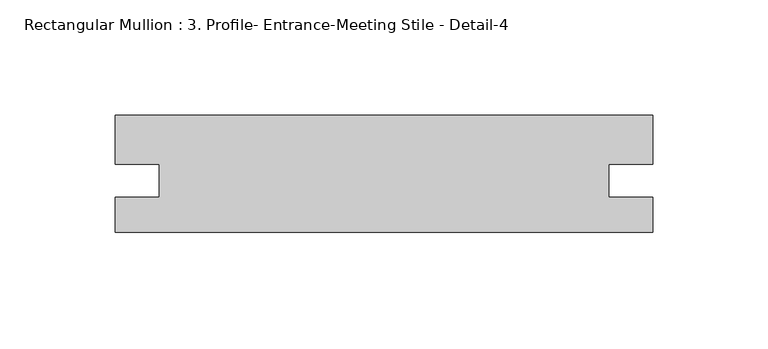
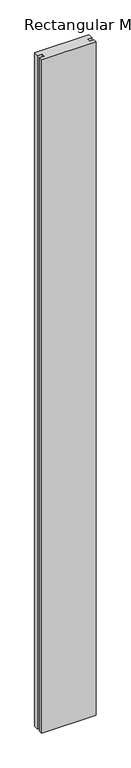
"""IFC4 building model written with IfcOpenShell, lengths in millimetres: member geometry, Rectangular Mullion : 3. Profile- Entrance-Meeting Stile - Detail-4."""

from ifc_helpers import new_model, si_unit, frame, origin, place, context, project, spatial, polyline, outline, extrude, source, transform, mapped, element, save


def rectangular_mullion_3_profile_entrance_meeting_stile_detail_1f01e0aa(model_context):
    return source(origin(), model_context, "Body", "SweptSolid", [
        extrude(outline(polyline([(-233.3481209, -50.8), (-233.3481209, -35.70097), (-214.3235209, -35.70097), (-214.3235209, -21.3842711), (-233.3481196, -21.3842711), (-233.3481196, 0.0), (-1.3e-06, 0.0), (-1.3e-06, -21.3842711), (-19.0246, -21.3842711), (-19.0246, -35.7009713), (0.0, -35.7009713), (0.0, -50.8), (-233.3481209, -50.8)])), frame((0.0, 0.0, -3048.0), z_axis=(0.0, 0.0, 1.0), x_axis=(1.0, 0.0, 0.0)), (0.0, 0.0, 1.0), 3048.0),
    ])


if __name__ == "__main__":
    model = new_model("IFC4")
    model_context = context("Model", 3, world=origin())
    ifc_project = project(units=[si_unit("LENGTHUNIT", "METRE", prefix="MILLI")], contexts=[model_context])
    site = spatial("IfcSite", under=ifc_project)
    building = spatial("IfcBuilding", under=site)
    placement = place(None, origin())
    rectangular_mullion_3_profile_entrance_meeting_stile_detail_shape = rectangular_mullion_3_profile_entrance_meeting_stile_detail_1f01e0aa(model_context)
    element("IfcMember", 1, ObjectType="Rectangular Mullion : 3. Profile- Entrance-Meeting Stile - Detail-4", at=placement, inside=building, context=model_context, shape_type="MappedRepresentation", body=[
        mapped(rectangular_mullion_3_profile_entrance_meeting_stile_detail_shape, transform((0.0, 0.0, 0.0), x_axis=(1.0, 0.0, 0.0), y_axis=(0.0, 1.0, 0.0), z_axis=(0.0, 0.0, 1.0))),
    ])
    save(model, "model.ifc")
